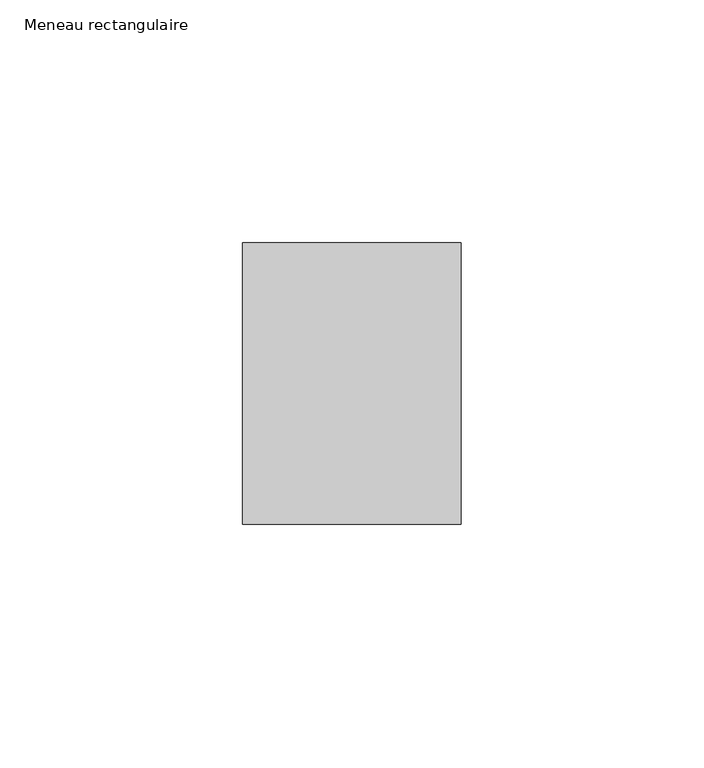
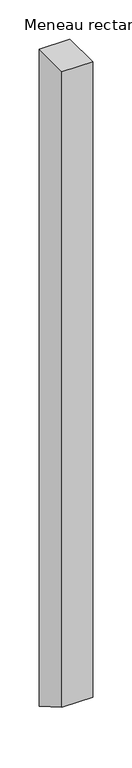
"""IFC4 building model written with IfcOpenShell, lengths in millimetres: member geometry, Meneau rectangulaire."""

from ifc_helpers import new_model, si_unit, frame, origin, place, context, project, spatial, polyline, outline, extrude, source, transform, mapped, element, save


def meneau_rectangulaire_30d15a59(model_context):
    return source(origin(), model_context, "Body", "SweptSolid", [
        extrude(outline(polyline([(-29.0, 0.0), (29.0, 0.0), (29.0, -1021.7472072), (-29.0, -988.2608916), (-29.0, 0.0)])), frame((-45.0, 0.0, 0.0), z_axis=(1.0, 0.0, 0.0), x_axis=(0.0, 1.0, 0.0)), (0.0, 0.0, 1.0), 45.0),
    ])


if __name__ == "__main__":
    model = new_model("IFC4")
    model_context = context("Model", 3, world=origin())
    ifc_project = project(units=[si_unit("LENGTHUNIT", "METRE", prefix="MILLI")], contexts=[model_context])
    site = spatial("IfcSite", under=ifc_project)
    building = spatial("IfcBuilding", under=site)
    placement = place(None, origin())
    meneau_rectangulaire_shape = meneau_rectangulaire_30d15a59(model_context)
    element("IfcMember", 1, ObjectType="Meneau rectangulaire", at=placement, inside=building, context=model_context, shape_type="MappedRepresentation", body=[
        mapped(meneau_rectangulaire_shape, transform((0.0, 0.0, 0.0), x_axis=(1.0, 0.0, 0.0), y_axis=(0.0, 1.0, 0.0), z_axis=(0.0, 0.0, 1.0))),
    ])
    save(model, "model.ifc")
